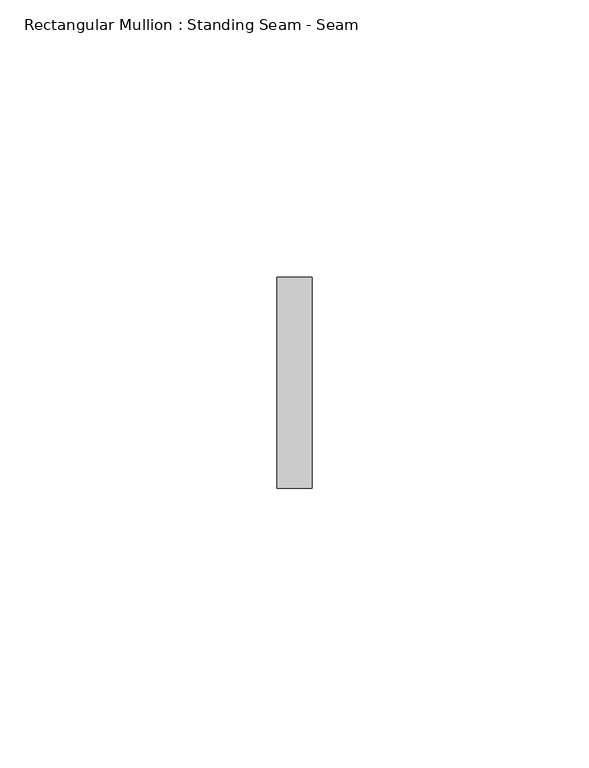
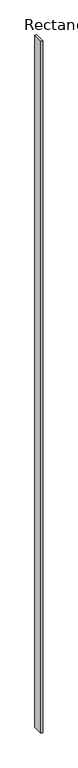
"""IFC4 building model written with IfcOpenShell, lengths in millimetres: member geometry, Rectangular Mullion : Standing Seam - Seam."""

from ifc_helpers import new_model, si_unit, frame, origin, place, context, project, spatial, polyline, outline, extrude, source, transform, mapped, element, save


def rectangular_mullion_standing_seam_seam_b225b865(model_context):
    return source(origin(), model_context, "Body", "SweptSolid", [
        extrude(outline(polyline([(3.175, 41.275), (3.175, 3.175), (-3.175, 3.175), (-3.175, 41.275), (3.175, 41.275)])), frame((0.0, 0.0, -2681.5057599), z_axis=(0.0, 0.0, 1.0), x_axis=(1.0, 0.0, 0.0)), (0.0, 0.0, 1.0), 2681.5057599),
    ])


if __name__ == "__main__":
    model = new_model("IFC4")
    model_context = context("Model", 3, world=origin())
    ifc_project = project(units=[si_unit("LENGTHUNIT", "METRE", prefix="MILLI")], contexts=[model_context])
    site = spatial("IfcSite", under=ifc_project)
    building = spatial("IfcBuilding", under=site)
    placement = place(None, origin())
    rectangular_mullion_standing_seam_seam_shape = rectangular_mullion_standing_seam_seam_b225b865(model_context)
    element("IfcMember", 1, ObjectType="Rectangular Mullion : Standing Seam - Seam", at=placement, inside=building, context=model_context, shape_type="MappedRepresentation", body=[
        mapped(rectangular_mullion_standing_seam_seam_shape, transform((0.0, 0.0, 0.0), x_axis=(1.0, 0.0, 0.0), y_axis=(0.0, 1.0, 0.0), z_axis=(0.0, 0.0, 1.0))),
    ])
    save(model, "model.ifc")
